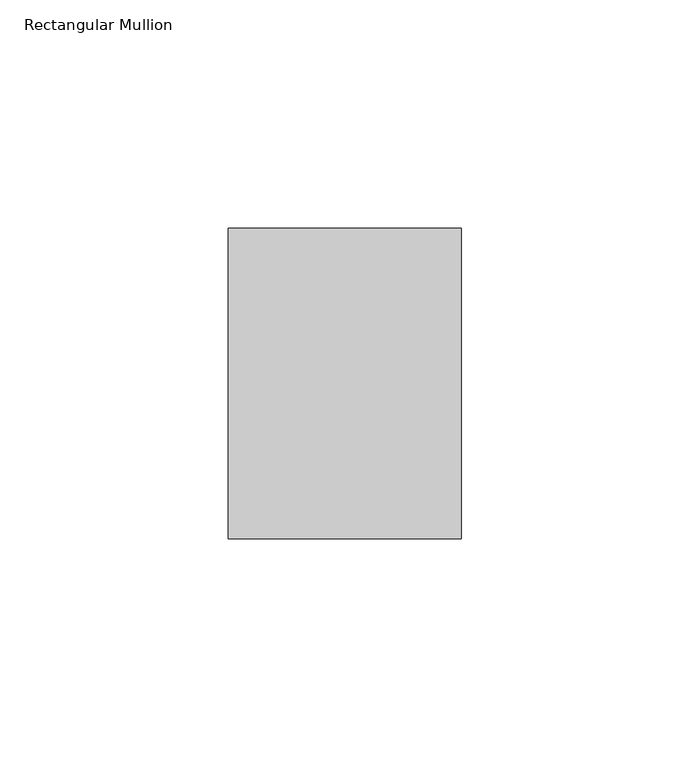
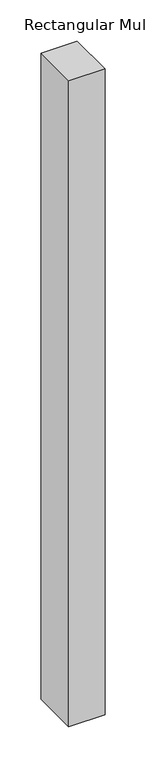
"""IFC4 building model written with IfcOpenShell, lengths in millimetres: member geometry, Rectangular Mullion."""

from ifc_helpers import new_model, si_unit, frame, origin, place, context, project, spatial, polyline, outline, extrude, source, transform, mapped, element, save


def rectangular_mullion_9aaa685e(model_context):
    return source(origin(), model_context, "Body", "SweptSolid", [
        extrude(outline(polyline([(0.0, 68.0), (0.0, 0.0), (-51.0, 0.0), (-51.0, 68.0), (0.0, 68.0)])), frame((0.0, 0.0, -961.0), z_axis=(0.0, 0.0, 1.0), x_axis=(1.0, 0.0, 0.0)), (0.0, 0.0, 1.0), 961.0),
    ])


if __name__ == "__main__":
    model = new_model("IFC4")
    model_context = context("Model", 3, world=origin())
    ifc_project = project(units=[si_unit("LENGTHUNIT", "METRE", prefix="MILLI")], contexts=[model_context])
    site = spatial("IfcSite", under=ifc_project)
    building = spatial("IfcBuilding", under=site)
    placement = place(None, origin())
    rectangular_mullion_shape = rectangular_mullion_9aaa685e(model_context)
    element("IfcMember", 1, ObjectType="Rectangular Mullion", at=placement, inside=building, context=model_context, shape_type="MappedRepresentation", body=[
        mapped(rectangular_mullion_shape, transform((0.0, 0.0, 0.0), x_axis=(1.0, 0.0, 0.0), y_axis=(0.0, 1.0, 0.0), z_axis=(0.0, 0.0, 1.0))),
    ])
    save(model, "model.ifc")
